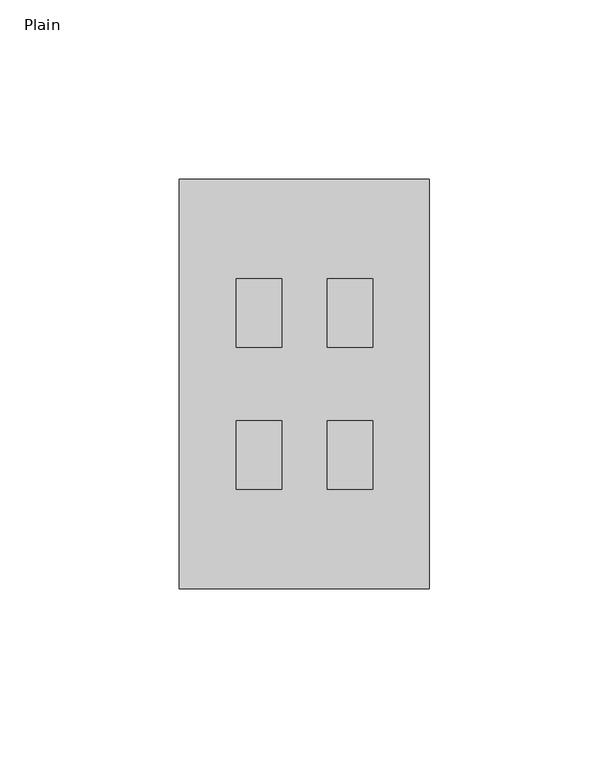
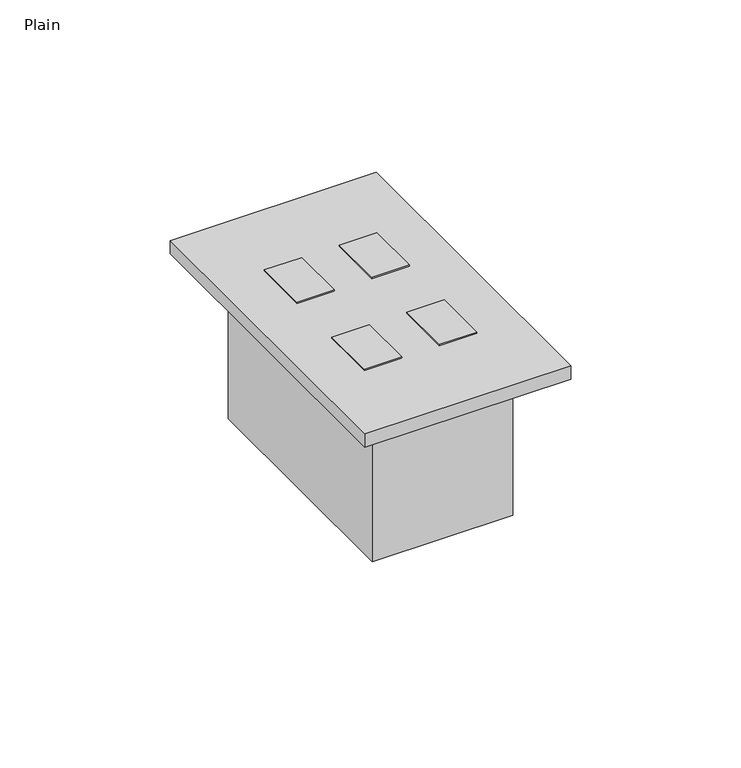
"""IFC4 building model written with IfcOpenShell, lengths in millimetres: electric appliance geometry, Plain."""

from ifc_helpers import new_model, si_unit, frame, origin, origin_with_axes, place, context, project, spatial, polyline, outline, extrude, source, transform, mapped, element, save


def plain_2244462e(model_context):
    return source(origin(), model_context, "Body", "SweptSolid", [
        extrude(outline(polyline([(34.925, 57.15), (34.925, -57.15), (-34.925, -57.15), (-34.925, 57.15), (34.925, 57.15)])), origin_with_axes(), (0.0, 0.0, 1.0), 4.7625),
        extrude(outline(polyline([(23.8302063, 42.4021856), (23.8302063, -42.4021856), (-23.8302063, -42.4021856), (-23.8302063, 42.4021856), (23.8302063, 42.4021856)])), frame((0.0, 0.0, -53.975), z_axis=(0.0, 0.0, 1.0), x_axis=(1.0, 0.0, 0.0)), (0.0, 0.0, 1.0), 53.975),
        extrude(outline(polyline([(-6.35, 29.348866), (-6.35, 10.298866), (-19.05, 10.298866), (-19.05, 29.348866), (-6.35, 29.348866)])), frame((0.0, 0.0, 4.7625), z_axis=(0.0, 0.0, 1.0), x_axis=(1.0, 0.0, 0.0)), (0.0, 0.0, 1.0), 0.79375),
        extrude(outline(polyline([(19.05, 29.348866), (19.05, 10.298866), (6.35, 10.298866), (6.35, 29.348866), (19.05, 29.348866)])), frame((0.0, 0.0, 4.7625), z_axis=(0.0, 0.0, 1.0), x_axis=(1.0, 0.0, 0.0)), (0.0, 0.0, 1.0), 0.79375),
        extrude(outline(polyline([(-6.35, -10.298866), (-6.35, -29.348866), (-19.05, -29.348866), (-19.05, -10.298866), (-6.35, -10.298866)])), frame((0.0, 0.0, 4.7625), z_axis=(0.0, 0.0, 1.0), x_axis=(1.0, 0.0, 0.0)), (0.0, 0.0, 1.0), 0.79375),
        extrude(outline(polyline([(19.05, -10.298866), (19.05, -29.348866), (6.35, -29.348866), (6.35, -10.298866), (19.05, -10.298866)])), frame((0.0, 0.0, 4.7625), z_axis=(0.0, 0.0, 1.0), x_axis=(1.0, 0.0, 0.0)), (0.0, 0.0, 1.0), 0.79375),
    ])


if __name__ == "__main__":
    model = new_model("IFC4")
    model_context = context("Model", 3, world=origin())
    ifc_project = project(units=[si_unit("LENGTHUNIT", "METRE", prefix="MILLI")], contexts=[model_context])
    site = spatial("IfcSite", under=ifc_project)
    building = spatial("IfcBuilding", under=site)
    placement = place(None, origin())
    plain_shape = plain_2244462e(model_context)
    element("IfcElectricAppliance", 1, ObjectType="Plain", at=placement, inside=building, context=model_context, shape_type="MappedRepresentation", body=[
        mapped(plain_shape, transform((0.0, 0.0, 0.0), x_axis=(1.0, 0.0, 0.0), y_axis=(0.0, 1.0, 0.0), z_axis=(0.0, 0.0, 1.0))),
    ])
    save(model, "model.ifc")
